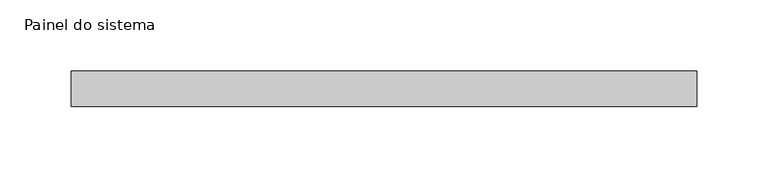
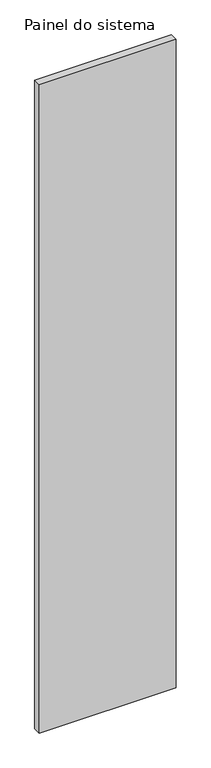
"""IFC4 building model written with IfcOpenShell, lengths in millimetres: plate geometry, Painel do sistema."""

from ifc_helpers import new_model, si_unit, origin, origin_with_axes, place, context, project, spatial, polyline, outline, extrude, source, transform, mapped, element, save


def painel_do_sistema_8c3c2cbd(model_context):
    return source(origin(), model_context, "Body", "SweptSolid", [
        extrude(outline(polyline([(219.9999998, 24.5), (-219.9999998, 24.5), (-219.9999998, 49.5), (219.9999998, 49.5), (219.9999998, 24.5)])), origin_with_axes(), (0.0, 0.0, 1.0), 2200.0),
    ])


if __name__ == "__main__":
    model = new_model("IFC4")
    model_context = context("Model", 3, world=origin())
    ifc_project = project(units=[si_unit("LENGTHUNIT", "METRE", prefix="MILLI")], contexts=[model_context])
    site = spatial("IfcSite", under=ifc_project)
    building = spatial("IfcBuilding", under=site)
    placement = place(None, origin())
    painel_do_sistema_shape = painel_do_sistema_8c3c2cbd(model_context)
    element("IfcPlate", 1, ObjectType="Painel do sistema", at=placement, inside=building, context=model_context, shape_type="MappedRepresentation", body=[
        mapped(painel_do_sistema_shape, transform((0.0, 0.0, 0.0), x_axis=(1.0, 0.0, 0.0), y_axis=(0.0, 1.0, 0.0), z_axis=(0.0, 0.0, 1.0))),
    ])
    save(model, "model.ifc")
